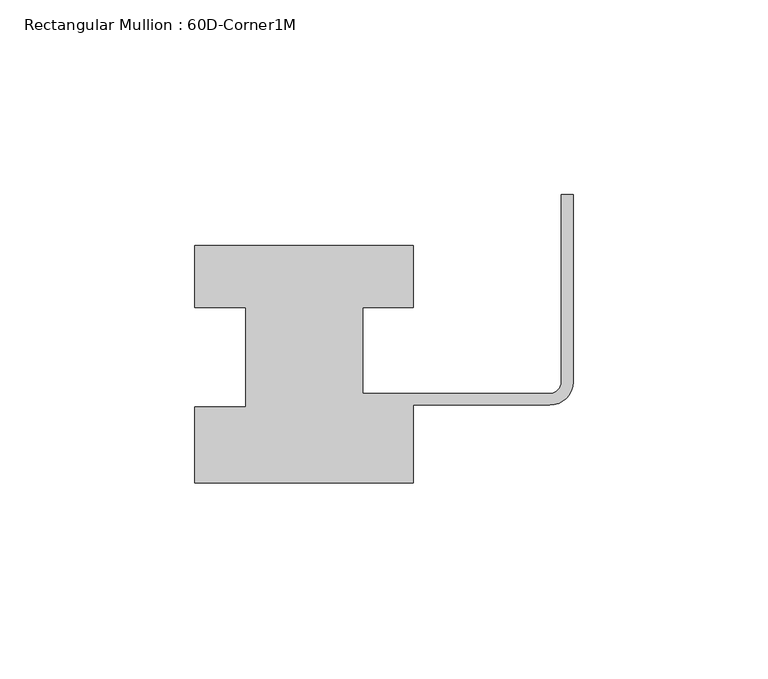
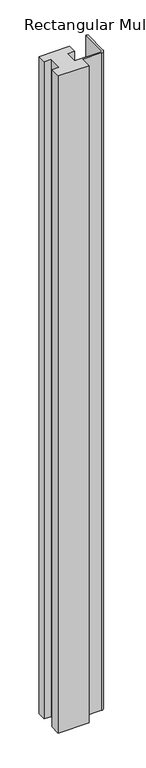
"""IFC4 building model written with IfcOpenShell, lengths in millimetres: member geometry, Rectangular Mullion : 60D-Corner1M."""

import ifcopenshell
import ifcopenshell.guid

model = None  # the IFC model being written
_history = None  # IfcOwnerHistory: only IFC2X3 demands one
_inside = {}  # id of a spatial element -> (the spatial element, [elements in it])
_under = {}  # id of a project, library or spatial element -> (it, [spatial elements below it])
_declared = {}  # id of a project -> (the project, [libraries it declares])
_typed = {}  # id of a type object -> (the type object, [elements of that type])
_made_of = {}  # id of a material, layer set ... -> (it, [elements and type objects made of it])


def new_model(schema):
    """Start an empty IFC model of exactly this schema.

    Asked for "IFC4X3", IfcOpenShell would pick the latest addendum, in which some entities
    have other attributes; the version numbers below select the first issue.
    IFC2X3 requires an IfcOwnerHistory on every rooted entity: one is made here for all.
    """
    global model, _history
    if schema == "IFC4X3":
        model = ifcopenshell.file(schema_version=(4, 3, 0, 0))
    else:
        model = ifcopenshell.file(schema=schema)
    _inside.clear()
    _under.clear()
    _declared.clear()
    _typed.clear()
    _made_of.clear()
    _history = None
    if model.schema == "IFC2X3":
        org = make("IfcOrganization", Name="unknown")
        user = make(
            "IfcPersonAndOrganization",
            ThePerson=make("IfcPerson", FamilyName="unknown"),
            TheOrganization=org,
        )
        app = make(
            "IfcApplication",
            ApplicationDeveloper=org,
            Version="unknown",
            ApplicationFullName="unknown",
            ApplicationIdentifier="unknown",
        )
        _history = make(
            "IfcOwnerHistory",
            OwningUser=user,
            OwningApplication=app,
            ChangeAction="ADDED",
            CreationDate=0,
        )
    return model


def make(cls, **values):
    """One entity of the class cls with the attributes given. An attribute that is None is left unset."""
    return model.create_entity(
        cls, **{name: value for name, value in values.items() if value is not None}
    )


def rooted(cls, **values):
    """An entity with a GlobalId (a new one), such as an element, a storey or a relation."""
    return make(cls, GlobalId=ifcopenshell.guid.new(), OwnerHistory=_history, **values)


def si_unit(unit_type, name, prefix=None):
    """IfcSIUnit, for example si_unit("LENGTHUNIT", "METRE", prefix="MILLI")."""
    return make("IfcSIUnit", UnitType=unit_type, Prefix=prefix, Name=name)


def assignment(units):
    """IfcUnitAssignment: the units of a project."""
    return None if units is None else make("IfcUnitAssignment", Units=units)


def point(xyz):
    """IfcCartesianPoint."""
    return None if xyz is None else make("IfcCartesianPoint", Coordinates=xyz)


def direction(xyz):
    """IfcDirection."""
    return None if xyz is None else make("IfcDirection", DirectionRatios=xyz)


def frame(location, z_axis=None, x_axis=None):
    """IfcAxis2Placement3D, a coordinate frame: its origin and axes. An axis left out is left unset."""
    return make(
        "IfcAxis2Placement3D",
        Location=point(location),
        Axis=direction(z_axis),
        RefDirection=direction(x_axis),
    )


def frame_2d(location, x_axis=None):
    """IfcAxis2Placement2D, a coordinate frame in the plane: its origin and x axis."""
    return make(
        "IfcAxis2Placement2D", Location=point(location), RefDirection=direction(x_axis)
    )


def origin():
    """The frame at (0, 0, 0) with its axes left unset."""
    return frame((0.0, 0.0, 0.0))


def place(relative_to, where):
    """IfcLocalPlacement: puts the frame where relative to a parent placement (None: the world)."""
    return make(
        "IfcLocalPlacement", PlacementRelTo=relative_to, RelativePlacement=where
    )


def context(
    kind, dimensions, precision=None, world=None, true_north=None, identifier=None
):
    """IfcGeometricRepresentationContext, for example the 3D "Model" context."""
    return make(
        "IfcGeometricRepresentationContext",
        ContextIdentifier=identifier,
        ContextType=kind,
        CoordinateSpaceDimension=dimensions,
        Precision=precision,
        WorldCoordinateSystem=world,
        TrueNorth=true_north,
    )


def project(units=None, contexts=None):
    """IfcProject with its units and contexts."""
    return rooted(
        "IfcProject",
        Name="project",
        RepresentationContexts=contexts,
        UnitsInContext=assignment(units),
    )


def spatial(cls, under=None, at=None, **own):
    """A site, building, storey or space (cls), placed at a placement, below another one or the project."""
    s = rooted(cls, ObjectPlacement=at, **own)
    if under is not None:
        _under.setdefault(under.id(), (under, []))[1].append(s)
    return s


def polyline(points):
    """IfcPolyline through the points."""
    return make("IfcPolyline", Points=[point(p) for p in points])


def circle_curve(where, radius):
    """IfcCircle in the frame where."""
    return make("IfcCircle", Position=where, Radius=radius)


def trimmed(basis, trim1, trim2, sense, master):
    """IfcTrimmedCurve: the piece of a basis curve between two trims."""
    return make(
        "IfcTrimmedCurve",
        BasisCurve=basis,
        Trim1=trim1,
        Trim2=trim2,
        SenseAgreement=sense,
        MasterRepresentation=master,
    )


def segment(curve, same_sense, transition):
    """IfcCompositeCurveSegment."""
    return make(
        "IfcCompositeCurveSegment",
        Transition=transition,
        SameSense=same_sense,
        ParentCurve=curve,
    )


def composite_curve(segments, self_intersect=None):
    """IfcCompositeCurve: segments joined end to end."""
    return make("IfcCompositeCurve", Segments=segments, SelfIntersect=self_intersect)


def outline(outer, holes=None, kind="AREA"):
    """IfcArbitraryClosedProfileDef: a profile drawn as a closed curve; with holes, ...WithVoids."""
    if holes is None:
        return make("IfcArbitraryClosedProfileDef", ProfileType=kind, OuterCurve=outer)
    return make(
        "IfcArbitraryProfileDefWithVoids",
        ProfileType=kind,
        OuterCurve=outer,
        InnerCurves=holes,
    )


def extrude(swept, where, along, depth):
    """IfcExtrudedAreaSolid: the profile swept, set in the frame where, extruded along a direction by depth."""
    return make(
        "IfcExtrudedAreaSolid",
        SweptArea=swept,
        Position=where,
        ExtrudedDirection=direction(along),
        Depth=depth,
    )


def shape(context_of_items, identifier, shape_type, items):
    """IfcShapeRepresentation: the items that make up one representation, for example the "Body"."""
    return make(
        "IfcShapeRepresentation",
        ContextOfItems=context_of_items,
        RepresentationIdentifier=identifier,
        RepresentationType=shape_type,
        Items=items,
    )


def source(mapping_origin, context_of_items, identifier, shape_type, items):
    """IfcRepresentationMap: a shape defined once, which mapped items show again and again."""
    return make(
        "IfcRepresentationMap",
        MappingOrigin=mapping_origin,
        MappedRepresentation=shape(context_of_items, identifier, shape_type, items),
    )


def transform(
    local_origin,
    x_axis=None,
    y_axis=None,
    z_axis=None,
    scale=None,
    scale2=None,
    scale3=None,
    uniform=True,
):
    """IfcCartesianTransformationOperator3D, or its non-uniform kind. x_axis, y_axis, z_axis: its Axis1, 2, 3."""
    if uniform:
        return make(
            "IfcCartesianTransformationOperator3D",
            Axis1=direction(x_axis),
            Axis2=direction(y_axis),
            LocalOrigin=point(local_origin),
            Scale=scale,
            Axis3=direction(z_axis),
        )
    return make(
        "IfcCartesianTransformationOperator3DnonUniform",
        Axis1=direction(x_axis),
        Axis2=direction(y_axis),
        LocalOrigin=point(local_origin),
        Scale=scale,
        Axis3=direction(z_axis),
        Scale2=scale2,
        Scale3=scale3,
    )


def mapped(mapping_source, mapping_target):
    """IfcMappedItem: shows the shape of a source again, moved by a transform."""
    return make(
        "IfcMappedItem", MappingSource=mapping_source, MappingTarget=mapping_target
    )


def made_of(thing, what):
    """Note that an element or type object is made of a material, layer set ...; save() writes the relation."""
    if what is not None:
        _made_of.setdefault(what.id(), (what, []))[1].append(thing)
    return thing


def element(
    cls,
    number,
    at=None,
    inside=None,
    cuts=None,
    type_object=None,
    material=None,
    context=None,
    identifier="Body",
    shape_type=None,
    held_by="IfcProductDefinitionShape",
    body=None,
    shapes=None,
    **own,
):
    """One element of the class cls, such as IfcWall. Its Tag is "e" and its number.

    at: its placement. inside: the storey or other place that contains it. cuts: it is an
    opening in that element (IfcRelVoidsElement). A single representation is given by context,
    identifier, shape_type and body (its items); several are given by shapes. held_by: the class
    of the entity that holds the representations. save() writes the other relations.
    """
    e = rooted(cls, Tag="e%d" % number, ObjectPlacement=at, **own)
    if body is not None:
        shapes = [shape(context, identifier, shape_type, body)]
    if shapes is not None:
        e.Representation = make(held_by, Representations=shapes)
    if inside is not None:
        _inside.setdefault(inside.id(), (inside, []))[1].append(e)
    if cuts is not None:
        rooted(
            "IfcRelVoidsElement", RelatingBuildingElement=cuts, RelatedOpeningElement=e
        )
    if type_object is not None:
        _typed.setdefault(type_object.id(), (type_object, []))[1].append(e)
    return made_of(e, material)


def aggregate(whole, parts):
    """IfcRelAggregates: a whole, such as a stair, and the parts it consists of."""
    return rooted("IfcRelAggregates", RelatingObject=whole, RelatedObjects=parts)


def save(model, path):
    """Write the relations noted so far, then the file.

    IfcRelAggregates (storeys below a building ...), IfcRelContainedInSpatialStructure (elements
    in a storey), IfcRelDefinesByType, IfcRelAssociatesMaterial and IfcRelDeclares: one each for
    every whole, place, type object, material and project.
    """
    for whole, parts in _under.values():
        aggregate(whole, parts)
    for where, things in _inside.values():
        rooted(
            "IfcRelContainedInSpatialStructure",
            RelatedElements=things,
            RelatingStructure=where,
        )
    for kind, things in _typed.values():
        rooted("IfcRelDefinesByType", RelatedObjects=things, RelatingType=kind)
    for what, things in _made_of.values():
        rooted("IfcRelAssociatesMaterial", RelatedObjects=things, RelatingMaterial=what)
    for by, libraries in _declared.values():
        rooted("IfcRelDeclares", RelatingContext=by, RelatedDefinitions=libraries)
    model.write(path)


def rectangular_mullion_60d_corner1m_76783d1c(model_context):
    return source(origin(), model_context, "Body", "SweptSolid", [
        extrude(outline(composite_curve([segment(polyline([(-97.0, 25.0), (-97.0, 41.0), (-41.0, 41.0), (-41.0, 25.0), (-54.0, 25.0), (-54.0, 3.0), (-6.0, 3.0)]), True, "CONTINUOUS"), segment(trimmed(circle_curve(frame_2d((-6.0, 6.0)), 3.0), [point((-6.0, 3.0))], [point((-3.0, 6.0))], True, "CARTESIAN"), True, "CONTINUOUS"), segment(polyline([(-3.0, 6.0), (-3.0, 54.0), (0.0, 54.0), (0.0, 6.0)]), True, "CONTINUOUS"), segment(trimmed(circle_curve(frame_2d((-6.0, 6.0)), 6.0), [point((0.0, 6.0))], [point((-6.0, 0.0))], False, "CARTESIAN"), True, "CONTINUOUS"), segment(polyline([(-6.0, 0.0), (-41.0, 0.0), (-41.0, -20.0), (-97.0, -20.0), (-97.0, -0.5), (-84.0, -0.5), (-84.0, 25.0), (-97.0, 25.0)]), True, "CONTINUOUS")], self_intersect=False)), frame((0.0, 0.0, -1266.465707), z_axis=(0.0, 0.0, 1.0), x_axis=(1.0, 0.0, 0.0)), (0.0, 0.0, 1.0), 1266.465707),
    ])


if __name__ == "__main__":
    model = new_model("IFC4")
    model_context = context("Model", 3, world=origin())
    ifc_project = project(units=[si_unit("LENGTHUNIT", "METRE", prefix="MILLI")], contexts=[model_context])
    site = spatial("IfcSite", under=ifc_project)
    building = spatial("IfcBuilding", under=site)
    placement = place(None, origin())
    rectangular_mullion_60d_corner1m_shape = rectangular_mullion_60d_corner1m_76783d1c(model_context)
    element("IfcMember", 1, ObjectType="Rectangular Mullion : 60D-Corner1M", at=placement, inside=building, context=model_context, shape_type="MappedRepresentation", body=[
        mapped(rectangular_mullion_60d_corner1m_shape, transform((0.0, 0.0, 0.0), x_axis=(1.0, 0.0, 0.0), y_axis=(0.0, 1.0, 0.0), z_axis=(0.0, 0.0, 1.0))),
    ])
    save(model, "model.ifc")
